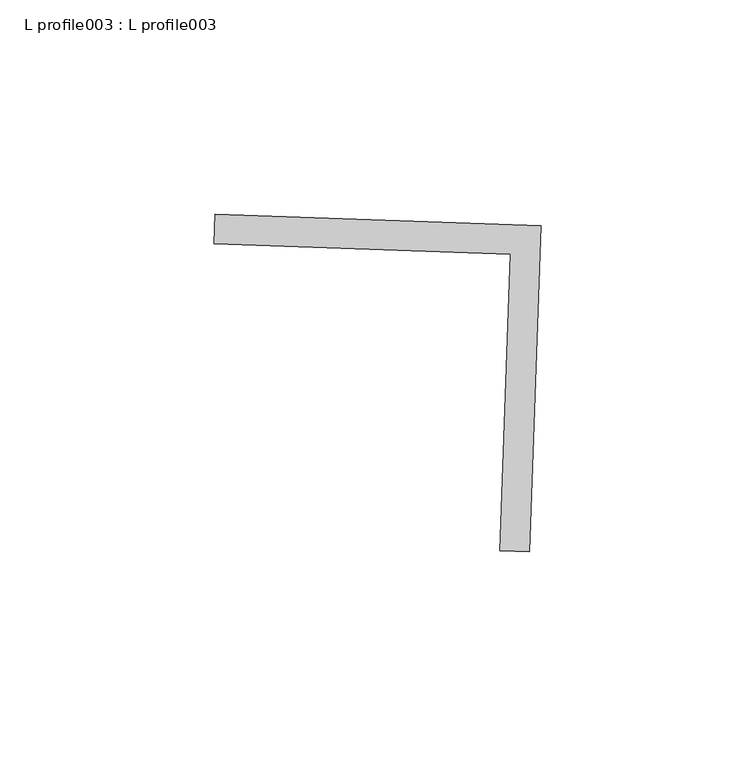
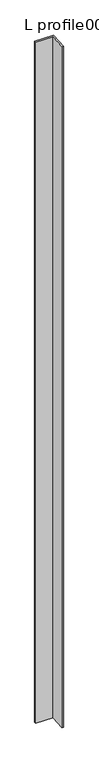
"""IFC4 building model written with IfcOpenShell, lengths in millimetres: proxy geometry, L profile003 : L profile003."""

from ifc_helpers import new_model, si_unit, frame, origin, place, context, project, spatial, polyline, outline, extrude, source, transform, mapped, element, save


def l_profile003_l_profile003_a1d1e51f(model_context):
    return source(origin(), model_context, "Body", "SweptSolid", [
        extrude(outline(polyline([(18304.0910529, -14878.9857802), (18301.4147272, -14955.1387662), (18294.4771157, -14954.8949503), (18296.9096256, -14885.6795758), (18227.694251, -14883.2470659), (18227.9380669, -14876.3094544), (18304.0910529, -14878.9857802)])), frame((0.0, 0.0, 73.975708), z_axis=(0.0, 0.0, 1.0), x_axis=(1.0, 0.0, 0.0)), (0.0, 0.0, 1.0), 2959.106901),
    ])


if __name__ == "__main__":
    model = new_model("IFC4")
    model_context = context("Model", 3, world=origin())
    ifc_project = project(units=[si_unit("LENGTHUNIT", "METRE", prefix="MILLI")], contexts=[model_context])
    site = spatial("IfcSite", under=ifc_project)
    building = spatial("IfcBuilding", under=site)
    placement = place(None, origin())
    l_profile003_l_profile003_shape = l_profile003_l_profile003_a1d1e51f(model_context)
    element("IfcBuildingElementProxy", 1, Name="L profile003 : L profile003", ObjectType="L profile003 : L profile003", at=placement, inside=building, context=model_context, shape_type="MappedRepresentation", body=[
        mapped(l_profile003_l_profile003_shape, transform((0.0, 0.0, 0.0), x_axis=(1.0, 0.0, 0.0), y_axis=(0.0, 1.0, 0.0), z_axis=(0.0, 0.0, 1.0))),
    ])
    save(model, "model.ifc")
